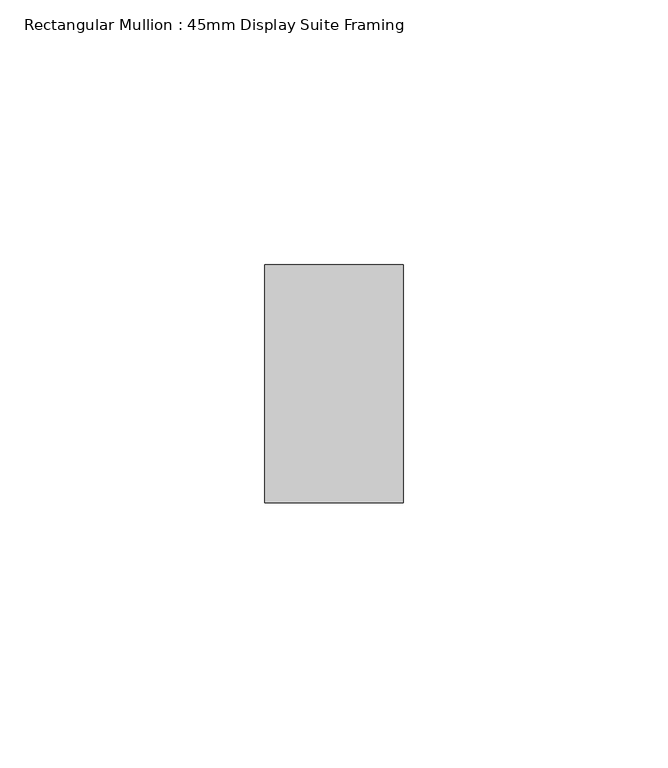
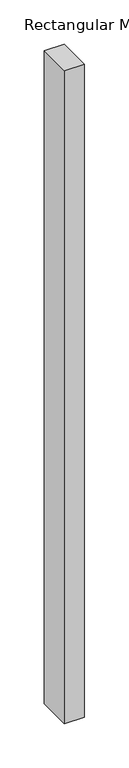
"""IFC4 building model written with IfcOpenShell, lengths in millimetres: member geometry, Rectangular Mullion : 45mm Display Suite Framing."""

from ifc_helpers import new_model, si_unit, frame, origin, place, context, project, spatial, polyline, outline, extrude, source, transform, mapped, element, save


def rectangular_mullion_45mm_display_suite_framing_391e4dd7(model_context):
    return source(origin(), model_context, "Body", "SweptSolid", [
        extrude(outline(polyline([(0.0, 22.5), (0.0, -22.5), (-26.2, -22.5), (-26.2, 22.5), (0.0, 22.5)])), frame((0.0, 0.0, -900.0), z_axis=(0.0, 0.0, 1.0), x_axis=(1.0, 0.0, 0.0)), (0.0, 0.0, 1.0), 900.0),
    ])


if __name__ == "__main__":
    model = new_model("IFC4")
    model_context = context("Model", 3, world=origin())
    ifc_project = project(units=[si_unit("LENGTHUNIT", "METRE", prefix="MILLI")], contexts=[model_context])
    site = spatial("IfcSite", under=ifc_project)
    building = spatial("IfcBuilding", under=site)
    placement = place(None, origin())
    rectangular_mullion_45mm_display_suite_framing_shape = rectangular_mullion_45mm_display_suite_framing_391e4dd7(model_context)
    element("IfcMember", 1, ObjectType="Rectangular Mullion : 45mm Display Suite Framing", at=placement, inside=building, context=model_context, shape_type="MappedRepresentation", body=[
        mapped(rectangular_mullion_45mm_display_suite_framing_shape, transform((0.0, 0.0, 0.0), x_axis=(1.0, 0.0, 0.0), y_axis=(0.0, 1.0, 0.0), z_axis=(0.0, 0.0, 1.0))),
    ])
    save(model, "model.ifc")
